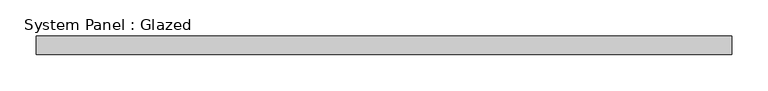
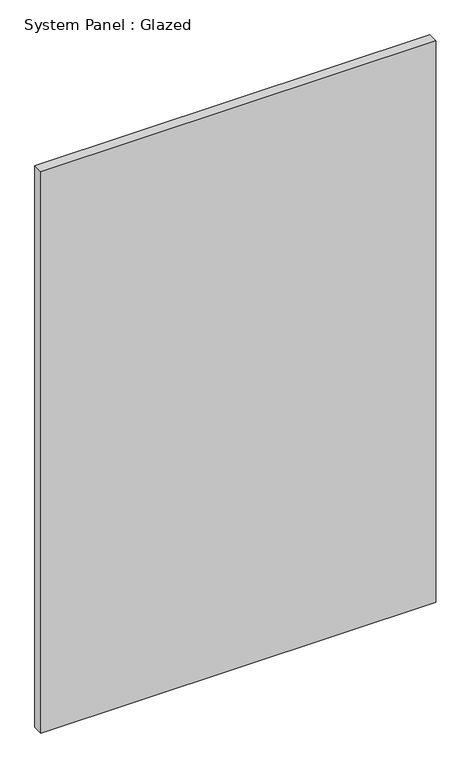
"""IFC4 building model written with IfcOpenShell, lengths in millimetres: plate geometry, System Panel : Glazed."""

from ifc_helpers import new_model, si_unit, origin, origin_with_axes, place, context, project, spatial, polyline, outline, extrude, source, transform, mapped, element, save


def system_panel_glazed_3a879146(model_context):
    return source(origin(), model_context, "Body", "SweptSolid", [
        extrude(outline(polyline([(479.425, 0.0), (-479.425, 0.0), (-479.425, 25.4), (479.425, 25.4), (479.425, 0.0)])), origin_with_axes(), (0.0, 0.0, 1.0), 1441.45),
    ])


if __name__ == "__main__":
    model = new_model("IFC4")
    model_context = context("Model", 3, world=origin())
    ifc_project = project(units=[si_unit("LENGTHUNIT", "METRE", prefix="MILLI")], contexts=[model_context])
    site = spatial("IfcSite", under=ifc_project)
    building = spatial("IfcBuilding", under=site)
    placement = place(None, origin())
    system_panel_glazed_shape = system_panel_glazed_3a879146(model_context)
    element("IfcPlate", 1, ObjectType="System Panel : Glazed", at=placement, inside=building, context=model_context, shape_type="MappedRepresentation", body=[
        mapped(system_panel_glazed_shape, transform((0.0, 0.0, 0.0), x_axis=(1.0, 0.0, 0.0), y_axis=(0.0, 1.0, 0.0), z_axis=(0.0, 0.0, 1.0))),
    ])
    save(model, "model.ifc")
